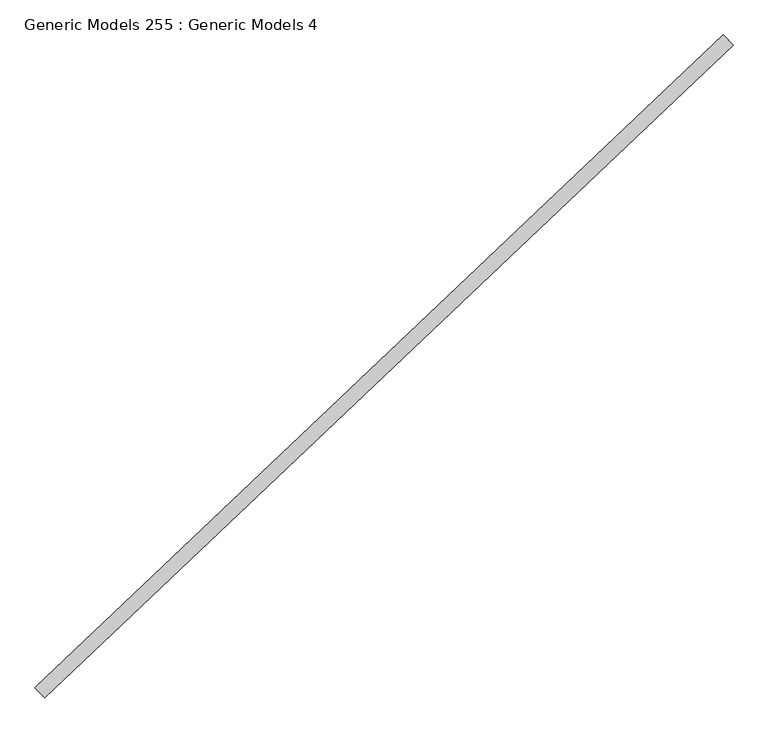
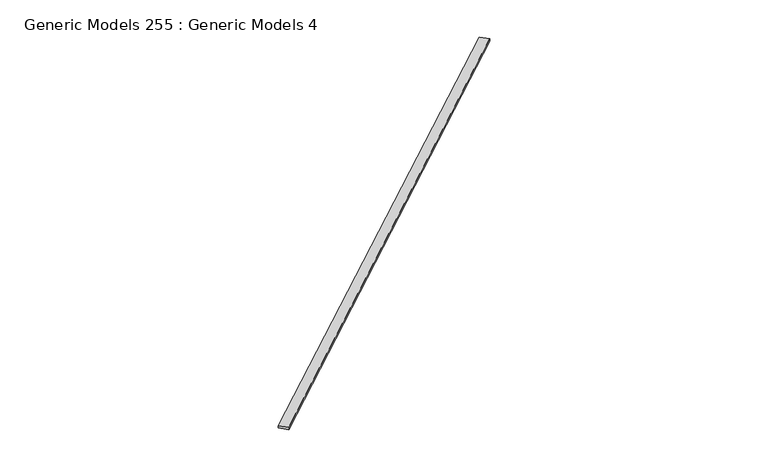
"""IFC4 building model written with IfcOpenShell, lengths in millimetres: proxy geometry, Generic Models 255 : Generic Models 4."""

from ifc_helpers import new_model, si_unit, origin, place, context, project, spatial, faceted_brep, source, transform, mapped, element, save


def generic_models_255_generic_models_4_dd9949c7(model_context):
    return source(origin(), model_context, "Body", "Brep", [
        faceted_brep([(103193.4660831, 41004.6723895, 17924.1394961), (103097.3029488, 41106.0071891, 17924.1394961), (103097.3029488, 41106.0071891, 17886.0394961), (103193.4660831, 41004.6723895, 17886.0394961), (109895.3812404, 47364.5524029, 17924.1394961), (109895.3812404, 47364.5524029, 17886.0394961), (109799.2181062, 47465.8872026, 17886.0394961), (109799.2181062, 47465.8872026, 17924.1394961), (109229.795852, 46732.9354532, 17886.0394961)], [[[0, 1, 2, 3]], [[4, 5, 6, 7]], [[0, 3, 8, 5, 4]], [[3, 2, 6, 5, 8]], [[2, 1, 7, 6]], [[1, 0, 4, 7]]]),
    ])


if __name__ == "__main__":
    model = new_model("IFC4")
    model_context = context("Model", 3, world=origin())
    ifc_project = project(units=[si_unit("LENGTHUNIT", "METRE", prefix="MILLI")], contexts=[model_context])
    site = spatial("IfcSite", under=ifc_project)
    building = spatial("IfcBuilding", under=site)
    placement = place(None, origin())
    generic_models_255_generic_models_4_shape = generic_models_255_generic_models_4_dd9949c7(model_context)
    element("IfcBuildingElementProxy", 1, Name="Generic Models 255 : Generic Models 4", ObjectType="Generic Models 255 : Generic Models 4", at=placement, inside=building, context=model_context, shape_type="MappedRepresentation", body=[
        mapped(generic_models_255_generic_models_4_shape, transform((0.0, 0.0, 0.0), x_axis=(1.0, 0.0, 0.0), y_axis=(0.0, 1.0, 0.0), z_axis=(0.0, 0.0, 1.0))),
    ])
    save(model, "model.ifc")
